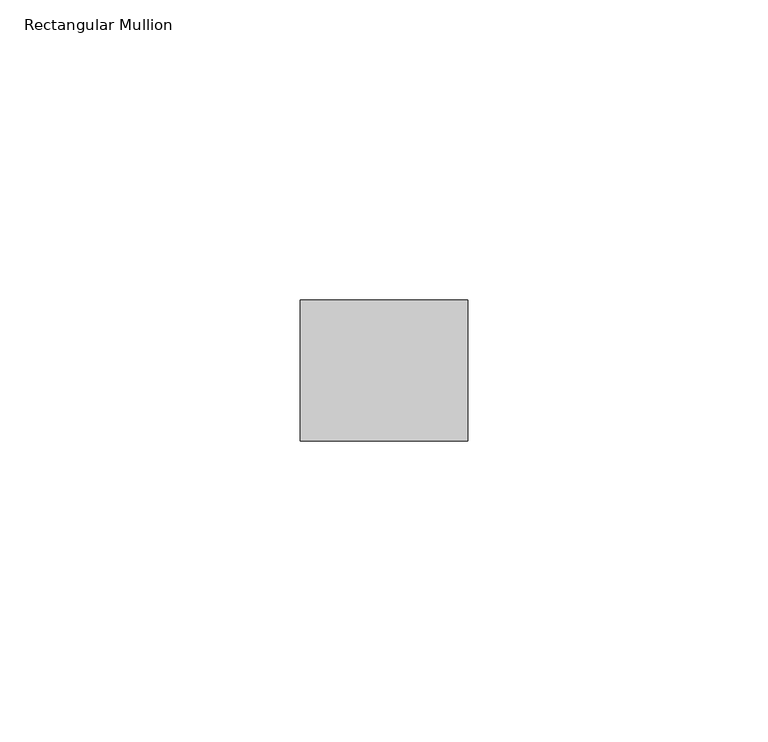
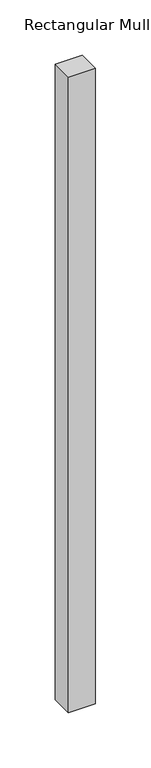
"""IFC4 building model written with IfcOpenShell, lengths in millimetres: member geometry, Rectangular Mullion."""

from ifc_helpers import new_model, si_unit, frame, origin, place, context, project, spatial, polyline, outline, extrude, source, transform, mapped, element, save


def rectangular_mullion_2ab06ff4(model_context):
    return source(origin(), model_context, "Body", "SweptSolid", [
        extrude(outline(polyline([(0.0, -11.7474999), (-27.94, -11.7474999), (-27.94, 11.7474999), (0.0, 11.7474999), (0.0, -11.7474999)])), frame((0.0, 0.0, -699.2576542), z_axis=(0.0, 0.0, 1.0), x_axis=(1.0, 0.0, 0.0)), (0.0, 0.0, 1.0), 699.2576542),
    ])


if __name__ == "__main__":
    model = new_model("IFC4")
    model_context = context("Model", 3, world=origin())
    ifc_project = project(units=[si_unit("LENGTHUNIT", "METRE", prefix="MILLI")], contexts=[model_context])
    site = spatial("IfcSite", under=ifc_project)
    building = spatial("IfcBuilding", under=site)
    placement = place(None, origin())
    rectangular_mullion_shape = rectangular_mullion_2ab06ff4(model_context)
    element("IfcMember", 1, ObjectType="Rectangular Mullion", at=placement, inside=building, context=model_context, shape_type="MappedRepresentation", body=[
        mapped(rectangular_mullion_shape, transform((0.0, 0.0, 0.0), x_axis=(1.0, 0.0, 0.0), y_axis=(0.0, 1.0, 0.0), z_axis=(0.0, 0.0, 1.0))),
    ])
    save(model, "model.ifc")
